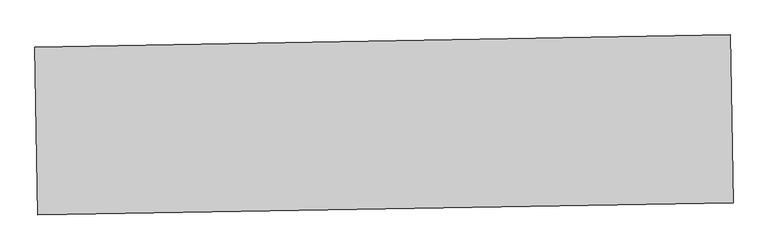
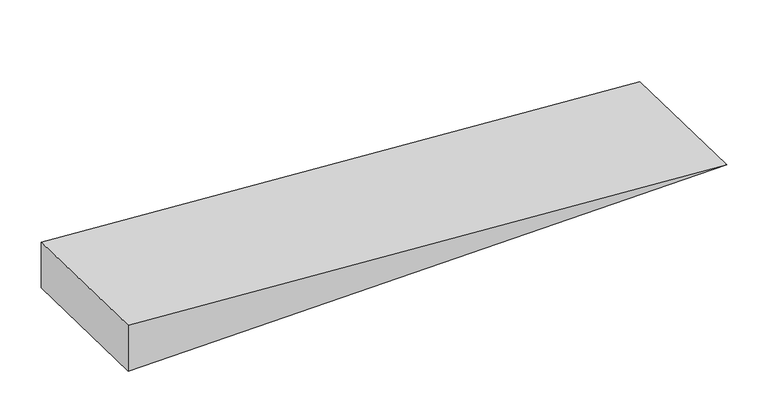
"""IFC4 building model written with IfcOpenShell, lengths in millimetres: ramp geometry."""

from ifc_helpers import new_model, si_unit, frame, origin, place, context, project, spatial, polyline, outline, extrude, source, transform, mapped, element, save


def ramp_d848d874(model_context):
    return source(origin(), model_context, "Body", "SweptSolid", [
        extrude(outline(polyline([(495.6548511, -6195.6856381), (0.0, 0.0), (495.6548511, 0.0), (495.6548511, -6195.6856381)])), frame((65008.3962154, -52529.4777487, 495.6548511), z_axis=(-0.017452406436855087, 0.9998476951563987, 0.0), x_axis=(0.0, 0.0, -1.0)), (0.0, 0.0, 1.0), 1498.3018844),
    ])


if __name__ == "__main__":
    model = new_model("IFC4")
    model_context = context("Model", 3, world=origin())
    ifc_project = project(units=[si_unit("LENGTHUNIT", "METRE", prefix="MILLI")], contexts=[model_context])
    site = spatial("IfcSite", under=ifc_project)
    building = spatial("IfcBuilding", under=site)
    placement = place(None, origin())
    ramp_shape = ramp_d848d874(model_context)
    element("IfcRamp", 1, at=placement, inside=building, context=model_context, shape_type="MappedRepresentation", body=[
        mapped(ramp_shape, transform((0.0, 0.0, 0.0), x_axis=(1.0, 0.0, 0.0), y_axis=(0.0, 1.0, 0.0), z_axis=(0.0, 0.0, 1.0))),
    ])
    save(model, "model.ifc")
